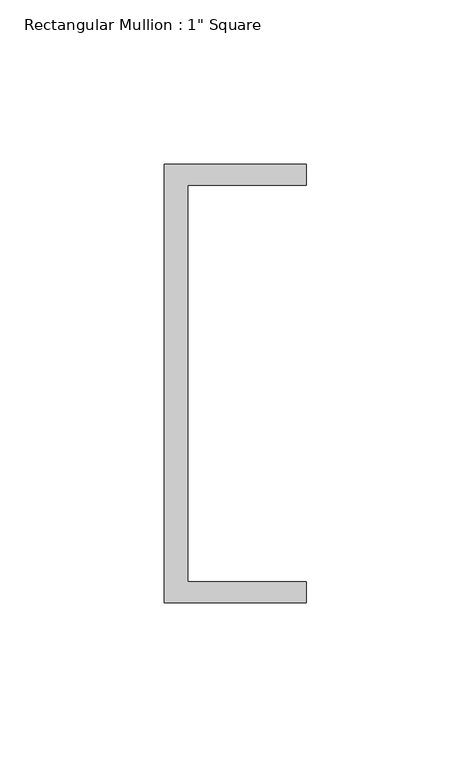
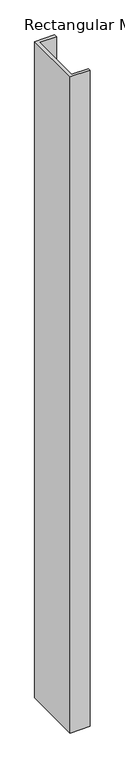
"""IFC4 building model written with IfcOpenShell, lengths in millimetres: member geometry."""

from ifc_helpers import new_model, si_unit, frame, origin, place, context, project, spatial, polyline, outline, extrude, source, transform, mapped, element, save


def member_24ca4e79(model_context):
    return source(origin(), model_context, "Body", "SweptSolid", [
        extrude(outline(polyline([(-43.2224547, 135.2608739), (0.0, 135.2608739), (0.0, 128.9108739), (-36.1785969, 128.9108739), (-36.1785969, 8.2608739), (0.0, 8.2608739), (0.0, 1.9108739), (-43.2224547, 1.9108739), (-43.2224547, 135.2608739)])), frame((0.0, 0.0, -1503.6130494), z_axis=(0.0, 0.0, 1.0), x_axis=(1.0, 0.0, 0.0)), (0.0, 0.0, 1.0), 1503.6130494),
    ])


if __name__ == "__main__":
    model = new_model("IFC4")
    model_context = context("Model", 3, world=origin())
    ifc_project = project(units=[si_unit("LENGTHUNIT", "METRE", prefix="MILLI")], contexts=[model_context])
    site = spatial("IfcSite", under=ifc_project)
    building = spatial("IfcBuilding", under=site)
    placement = place(None, origin())
    member_shape = member_24ca4e79(model_context)
    element("IfcMember", 1, ObjectType="Rectangular Mullion : 1\" Square", at=placement, inside=building, context=model_context, shape_type="MappedRepresentation", body=[
        mapped(member_shape, transform((0.0, 0.0, 0.0), x_axis=(1.0, 0.0, 0.0), y_axis=(0.0, 1.0, 0.0), z_axis=(0.0, 0.0, 1.0))),
    ])
    save(model, "model.ifc")
